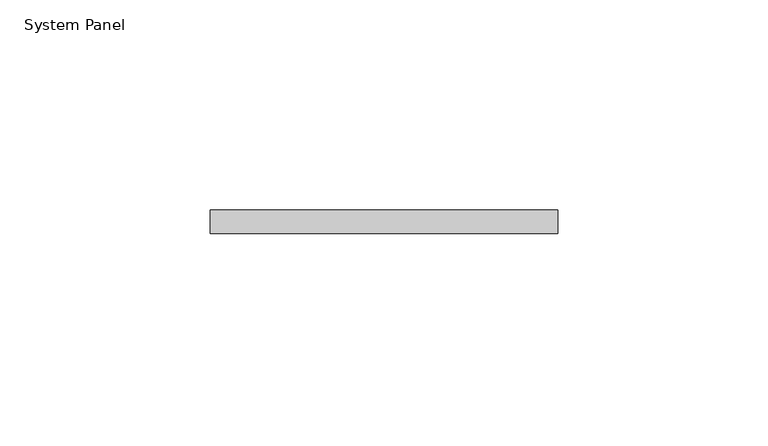
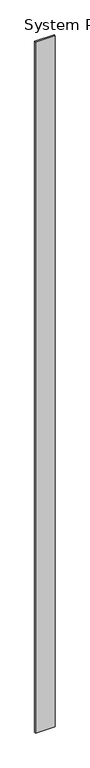
"""IFC4 building model written with IfcOpenShell, lengths in millimetres: plate geometry, System Panel."""

from ifc_helpers import new_model, si_unit, origin, origin_with_axes, place, context, project, spatial, polyline, outline, extrude, source, transform, mapped, element, save


def system_panel_7d7411ab(model_context):
    return source(origin(), model_context, "Body", "SweptSolid", [
        extrude(outline(polyline([(41.275, -13.49375), (-41.275, -13.49375), (-41.275, -7.9375), (41.275, -7.9375), (41.275, -13.49375)])), origin_with_axes(), (0.0, 0.0, 1.0), 3048.0),
    ])


if __name__ == "__main__":
    model = new_model("IFC4")
    model_context = context("Model", 3, world=origin())
    ifc_project = project(units=[si_unit("LENGTHUNIT", "METRE", prefix="MILLI")], contexts=[model_context])
    site = spatial("IfcSite", under=ifc_project)
    building = spatial("IfcBuilding", under=site)
    placement = place(None, origin())
    system_panel_shape = system_panel_7d7411ab(model_context)
    element("IfcPlate", 1, ObjectType="System Panel", at=placement, inside=building, context=model_context, shape_type="MappedRepresentation", body=[
        mapped(system_panel_shape, transform((0.0, 0.0, 0.0), x_axis=(1.0, 0.0, 0.0), y_axis=(0.0, 1.0, 0.0), z_axis=(0.0, 0.0, 1.0))),
    ])
    save(model, "model.ifc")
